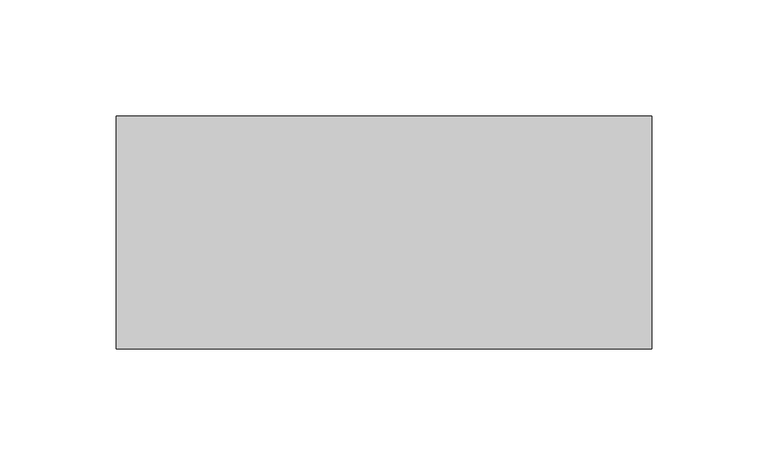
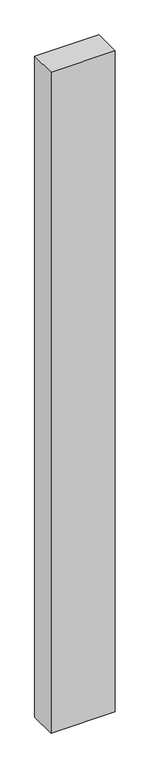
"""IFC4 building model written with IfcOpenShell, lengths in millimetres: proxy geometry."""

from ifc_helpers import new_model, si_unit, frame, origin, place, context, project, spatial, polyline, outline, extrude, source, transform, mapped, element, save


def generic_models_e1d4afb8(model_context):
    return source(origin(), model_context, "Body", "SweptSolid", [
        extrude(outline(polyline([(230.0, 100.0), (230.0, 0.0), (0.0, 0.0), (0.0, 100.0), (230.0, 100.0)])), frame((0.0, 0.0, -2500.0), z_axis=(0.0, 0.0, 1.0), x_axis=(1.0, 0.0, 0.0)), (0.0, 0.0, 1.0), 2500.0),
    ])


if __name__ == "__main__":
    model = new_model("IFC4")
    model_context = context("Model", 3, world=origin())
    ifc_project = project(units=[si_unit("LENGTHUNIT", "METRE", prefix="MILLI")], contexts=[model_context])
    site = spatial("IfcSite", under=ifc_project)
    building = spatial("IfcBuilding", under=site)
    placement = place(None, origin())
    generic_models_shape = generic_models_e1d4afb8(model_context)
    element("IfcBuildingElementProxy", 1, Name="Generic Models", at=placement, inside=building, context=model_context, shape_type="MappedRepresentation", body=[
        mapped(generic_models_shape, transform((0.0, 0.0, 0.0), x_axis=(1.0, 0.0, 0.0), y_axis=(0.0, 1.0, 0.0), z_axis=(0.0, 0.0, 1.0))),
    ])
    save(model, "model.ifc")
